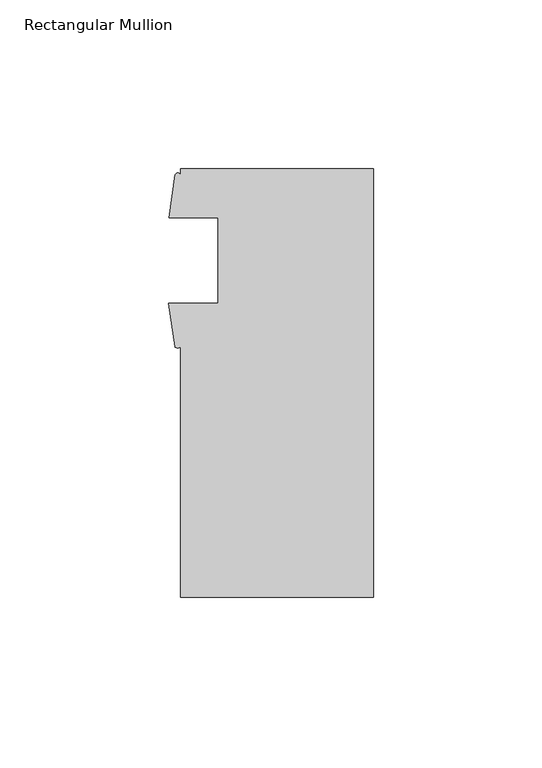
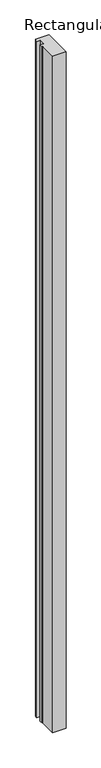
"""IFC4 building model written with IfcOpenShell, lengths in millimetres: member geometry, Rectangular Mullion."""

from ifc_helpers import new_model, si_unit, point, frame, frame_2d, origin, place, context, project, spatial, polyline, circle_curve, trimmed, segment, composite_curve, outline, extrude, source, transform, mapped, element, save


def rectangular_mullion_5f855d6a(model_context):
    return source(origin(), model_context, "Body", "SweptSolid", [
        extrude(outline(composite_curve([segment(polyline([(0.0, -66.2412316), (-57.15, -66.2412316), (-57.15, 8.0821906)]), True, "CONTINUOUS"), segment(trimmed(circle_curve(frame_2d((-57.9817022, 8.682866)), 1.0259335), [point((-57.15, 8.0821906))], [point((-58.8134044, 8.0821906))], False, "CARTESIAN"), True, "CONTINUOUS"), segment(polyline([(-58.8134044, 8.0821906), (-60.6695217, 20.8552434), (-46.0375, 20.8552434), (-46.0375, 46.2552434), (-60.546, 46.2552434), (-58.7358963, 59.026531)]), True, "CONTINUOUS"), segment(trimmed(circle_curve(frame_2d((-57.9454615, 58.6241664)), 0.8869523), [point((-58.7358963, 59.026531))], [point((-57.15, 59.0164996))], False, "CARTESIAN"), True, "CONTINUOUS"), segment(polyline([(-57.15, 59.0164996), (-57.15, 60.7587684), (0.0, 60.7587684), (0.0, -66.2412316)]), True, "CONTINUOUS")], self_intersect=False)), frame((0.0, 0.0, -3048.0), z_axis=(0.0, 0.0, 1.0), x_axis=(1.0, 0.0, 0.0)), (0.0, 0.0, 1.0), 3048.0),
    ])


if __name__ == "__main__":
    model = new_model("IFC4")
    model_context = context("Model", 3, world=origin())
    ifc_project = project(units=[si_unit("LENGTHUNIT", "METRE", prefix="MILLI")], contexts=[model_context])
    site = spatial("IfcSite", under=ifc_project)
    building = spatial("IfcBuilding", under=site)
    placement = place(None, origin())
    rectangular_mullion_shape = rectangular_mullion_5f855d6a(model_context)
    element("IfcMember", 1, ObjectType="Rectangular Mullion", at=placement, inside=building, context=model_context, shape_type="MappedRepresentation", body=[
        mapped(rectangular_mullion_shape, transform((0.0, 0.0, 0.0), x_axis=(1.0, 0.0, 0.0), y_axis=(0.0, 1.0, 0.0), z_axis=(0.0, 0.0, 1.0))),
    ])
    save(model, "model.ifc")
